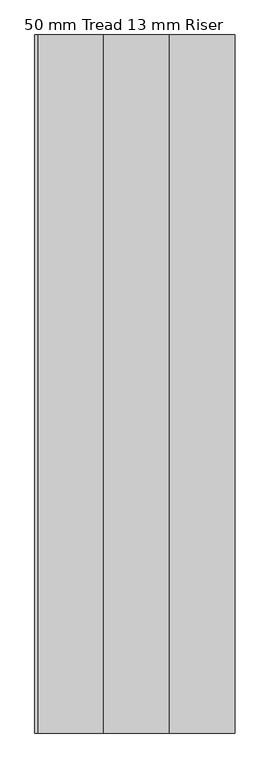
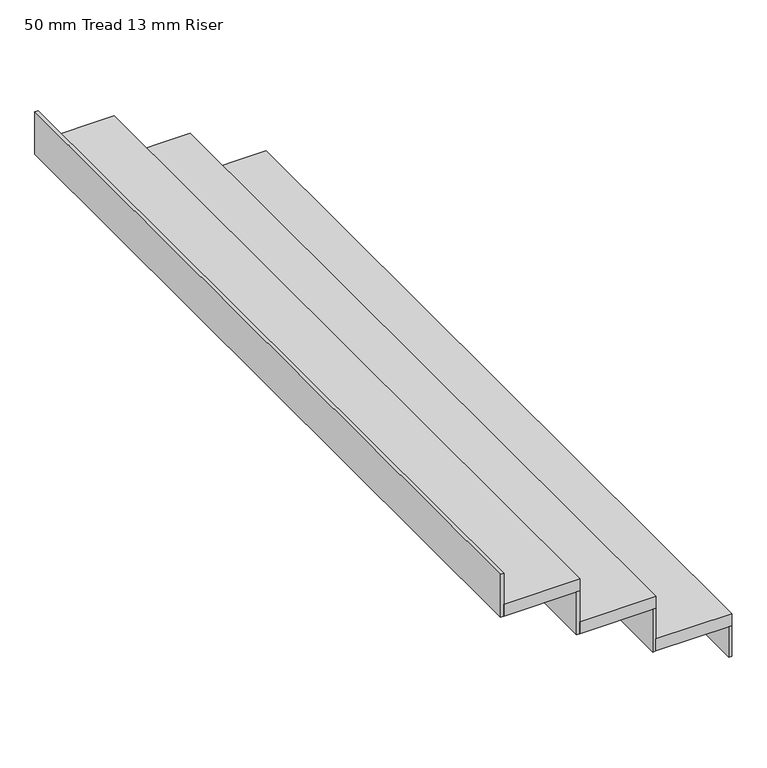
"""IFC4 building model written with IfcOpenShell, lengths in millimetres: stair flight geometry, 50 mm Tread 13 mm Riser."""

from ifc_helpers import new_model, si_unit, frame, origin, origin_with_axes, place, context, project, spatial, polyline, outline, extrude, source, transform, mapped, element, save


def stair_flight_50_mm_tread_13_mm_riser_d99c2da7(model_context):
    return source(origin(), model_context, "Body", "SweptSolid", [
        extrude(outline(polyline([(-308032.6057122, -107641.9420635), (-308020.1057122, -107641.9420635), (-308020.1057122, -110823.1605573), (-308032.6057122, -110823.1605573), (-308032.6057122, -107641.9420635)])), origin_with_axes(), (0.0, 0.0, 1.0), 127.7777778),
        extrude(outline(polyline([(-308320.1057122, -110823.1605573), (-308320.1057122, -107641.9420635), (-308020.1057122, -107641.9420635), (-308020.1057122, -110823.1605573), (-308320.1057122, -110823.1605573)])), frame((0.0, 0.0, 127.7777778), z_axis=(0.0, 0.0, 1.0), x_axis=(1.0, 0.0, 0.0)), (0.0, 0.0, 1.0), 50.0),
        extrude(outline(polyline([(-308332.6057122, -107641.9420635), (-308320.1057122, -107641.9420635), (-308320.1057122, -110823.1605573), (-308332.6057122, -110823.1605573), (-308332.6057122, -107641.9420635)])), frame((0.0, 0.0, 127.7777778), z_axis=(0.0, 0.0, 1.0), x_axis=(1.0, 0.0, 0.0)), (0.0, 0.0, 1.0), 177.7777778),
        extrude(outline(polyline([(-308620.1057122, -110823.1605573), (-308620.1057122, -107641.9420635), (-308320.1057122, -107641.9420635), (-308320.1057122, -110823.1605573), (-308620.1057122, -110823.1605573)])), frame((0.0, 0.0, 305.5555556), z_axis=(0.0, 0.0, 1.0), x_axis=(1.0, 0.0, 0.0)), (0.0, 0.0, 1.0), 50.0),
        extrude(outline(polyline([(-308632.6057122, -107641.9420635), (-308620.1057122, -107641.9420635), (-308620.1057122, -110823.1605573), (-308632.6057122, -110823.1605573), (-308632.6057122, -107641.9420635)])), frame((0.0, 0.0, 305.5555556), z_axis=(0.0, 0.0, 1.0), x_axis=(1.0, 0.0, 0.0)), (0.0, 0.0, 1.0), 177.7777778),
        extrude(outline(polyline([(-308932.6057122, -107641.9420635), (-308920.1057122, -107641.9420635), (-308920.1057122, -110823.1605573), (-308932.6057122, -110823.1605573), (-308932.6057122, -107641.9420635)])), frame((0.0, 0.0, 483.3333333), z_axis=(0.0, 0.0, 1.0), x_axis=(1.0, 0.0, 0.0)), (0.0, 0.0, 1.0), 177.7777778),
        extrude(outline(polyline([(-308920.1057122, -110823.1605573), (-308920.1057122, -107641.9420635), (-308620.1057122, -107641.9420635), (-308620.1057122, -110823.1605573), (-308920.1057122, -110823.1605573)])), frame((0.0, 0.0, 483.3333333), z_axis=(0.0, 0.0, 1.0), x_axis=(1.0, 0.0, 0.0)), (0.0, 0.0, 1.0), 50.0),
    ])


if __name__ == "__main__":
    model = new_model("IFC4")
    model_context = context("Model", 3, world=origin())
    ifc_project = project(units=[si_unit("LENGTHUNIT", "METRE", prefix="MILLI")], contexts=[model_context])
    site = spatial("IfcSite", under=ifc_project)
    building = spatial("IfcBuilding", under=site)
    placement = place(None, origin())
    stair_flight_50_mm_tread_13_mm_riser_shape = stair_flight_50_mm_tread_13_mm_riser_d99c2da7(model_context)
    element("IfcStairFlight", 1, ObjectType="50 mm Tread 13 mm Riser", at=placement, inside=building, context=model_context, shape_type="MappedRepresentation", body=[
        mapped(stair_flight_50_mm_tread_13_mm_riser_shape, transform((0.0, 0.0, 0.0), x_axis=(1.0, 0.0, 0.0), y_axis=(0.0, 1.0, 0.0), z_axis=(0.0, 0.0, 1.0))),
    ])
    save(model, "model.ifc")
